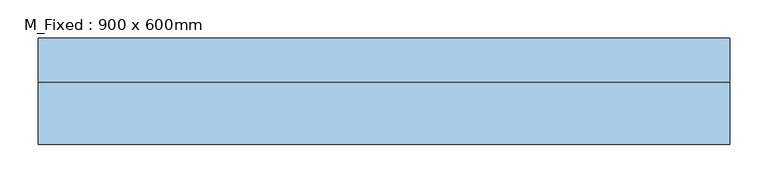
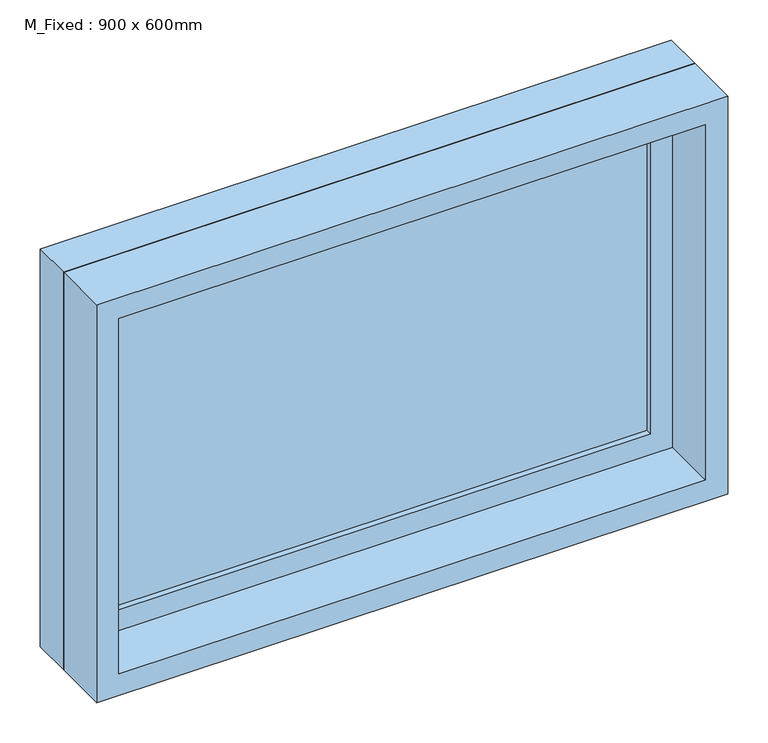
"""IFC4 building model written with IfcOpenShell, lengths in millimetres: window geometry, M_Fixed : 900 x 600mm."""

from ifc_helpers import new_model, si_unit, frame, origin, place, context, project, spatial, polyline, outline, extrude, source, transform, mapped, element, save


def m_fixed_900_x_600mm_ea83f8d8(model_context):
    return source(origin(), model_context, "Body", "SweptSolid", [
        extrude(outline(polyline([(-387.0, 46.25), (387.0, 46.25), (387.0, 34.25), (-387.0, 34.25), (-387.0, 46.25)])), frame((0.0, 0.0, 963.0), z_axis=(0.0, 0.0, 1.0), x_axis=(1.0, 0.0, 0.0)), (0.0, 0.0, 1.0), 474.0),
        extrude(outline(polyline([(1481.0, -431.0), (919.0, -431.0), (919.0, 431.0), (1481.0, 431.0), (1481.0, -431.0)]), holes=[polyline([(1437.0, -387.0), (1437.0, 387.0), (963.0, 387.0), (963.0, -387.0), (1437.0, -387.0)])]), frame((0.0, 25.0, 0.0), z_axis=(0.0, 1.0, 0.0), x_axis=(0.0, 0.0, 1.0)), (0.0, 0.0, 1.0), 37.25),
        extrude(outline(polyline([(1500.0, -450.0), (900.0, -450.0), (900.0, 450.0), (1500.0, 450.0), (1500.0, -450.0)]), holes=[polyline([(1481.0, -431.0), (1481.0, 431.0), (919.0, 431.0), (919.0, -431.0), (1481.0, -431.0)])]), frame((0.0, 25.0, 0.0), z_axis=(0.0, 1.0, 0.0), x_axis=(0.0, 0.0, 1.0)), (0.0, 0.0, 1.0), 57.25),
        extrude(outline(polyline([(1500.0, -450.0), (900.0, -450.0), (900.0, 450.0), (1500.0, 450.0), (1500.0, -450.0)]), holes=[polyline([(1468.0, -418.0), (1468.0, 418.0), (932.0, 418.0), (932.0, -418.0), (1468.0, -418.0)])]), frame((0.0, -56.25, 0.0), z_axis=(0.0, 1.0, 0.0), x_axis=(0.0, 0.0, 1.0)), (0.0, 0.0, 1.0), 81.25),
    ])


if __name__ == "__main__":
    model = new_model("IFC4")
    model_context = context("Model", 3, world=origin())
    ifc_project = project(units=[si_unit("LENGTHUNIT", "METRE", prefix="MILLI")], contexts=[model_context])
    site = spatial("IfcSite", under=ifc_project)
    building = spatial("IfcBuilding", under=site)
    placement = place(None, origin())
    m_fixed_900_x_600mm_shape = m_fixed_900_x_600mm_ea83f8d8(model_context)
    element("IfcWindow", 1, ObjectType="M_Fixed : 900 x 600mm", at=placement, inside=building, context=model_context, shape_type="MappedRepresentation", body=[
        mapped(m_fixed_900_x_600mm_shape, transform((0.0, 0.0, 0.0), x_axis=(1.0, 0.0, 0.0), y_axis=(0.0, 1.0, 0.0), z_axis=(0.0, 0.0, 1.0))),
    ])
    save(model, "model.ifc")
